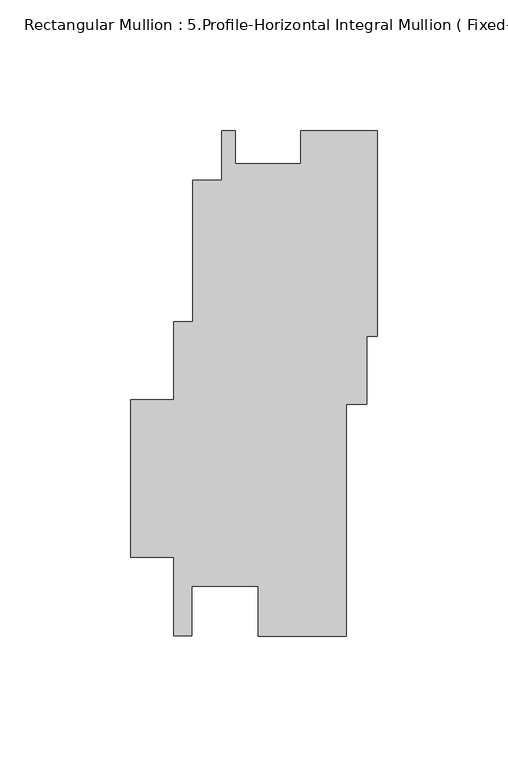
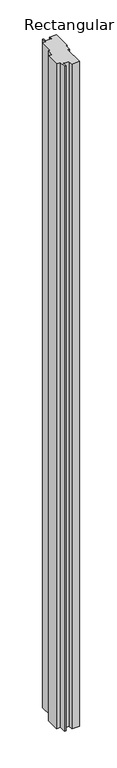
"""IFC4 building model written with IfcOpenShell, lengths in millimetres: member geometry, Rectangular Mullion : 5.Profile-Horizontal Integral Mullion ( Fixed-Panel)Detail-7."""

from ifc_helpers import new_model, si_unit, frame, origin, place, context, project, spatial, polyline, outline, extrude, source, transform, mapped, element, save


def rectangular_mullion_5_profile_horizontal_integral_mullion_f7e8511c(model_context):
    return source(origin(), model_context, "Body", "SweptSolid", [
        extrude(outline(polyline([(0.0, 24.4715388), (-4.0192106, 24.4715388), (-4.0192106, -1.4065478), (-12.0261134, -1.4065478), (-12.0261134, -90.3141976), (-45.6376157, -90.3141976), (-45.6376157, -71.2629051), (-71.0363405, -71.2629051), (-71.0363405, -90.0856087), (-77.9456101, -90.0856087), (-77.9456101, -60.1511815), (-94.5818431, -60.1511815), (-94.5818431, 0.1812737), (-77.9456101, 0.1812737), (-77.9456101, 30.1157009), (-70.6989615, 30.1157009), (-70.6989615, 84.3276285), (-59.6745855, 84.3276285), (-59.6745855, 103.3789233), (-54.467219, 103.3789233), (-54.467219, 90.6780601), (-29.3130716, 90.6780601), (-29.3130716, 103.3684522), (0.0, 103.3684522), (0.0, 24.4715388)])), frame((0.0, 0.0, -3048.0), z_axis=(0.0, 0.0, 1.0), x_axis=(1.0, 0.0, 0.0)), (0.0, 0.0, 1.0), 3048.0),
    ])


if __name__ == "__main__":
    model = new_model("IFC4")
    model_context = context("Model", 3, world=origin())
    ifc_project = project(units=[si_unit("LENGTHUNIT", "METRE", prefix="MILLI")], contexts=[model_context])
    site = spatial("IfcSite", under=ifc_project)
    building = spatial("IfcBuilding", under=site)
    placement = place(None, origin())
    rectangular_mullion_5_profile_horizontal_integral_mullion_shape = rectangular_mullion_5_profile_horizontal_integral_mullion_f7e8511c(model_context)
    element("IfcMember", 1, ObjectType="Rectangular Mullion : 5.Profile-Horizontal Integral Mullion ( Fixed-Panel)Detail-7", at=placement, inside=building, context=model_context, shape_type="MappedRepresentation", body=[
        mapped(rectangular_mullion_5_profile_horizontal_integral_mullion_shape, transform((0.0, 0.0, 0.0), x_axis=(1.0, 0.0, 0.0), y_axis=(0.0, 1.0, 0.0), z_axis=(0.0, 0.0, 1.0))),
    ])
    save(model, "model.ifc")
